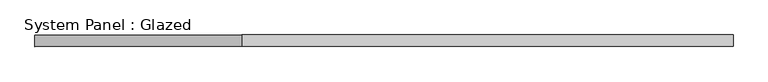
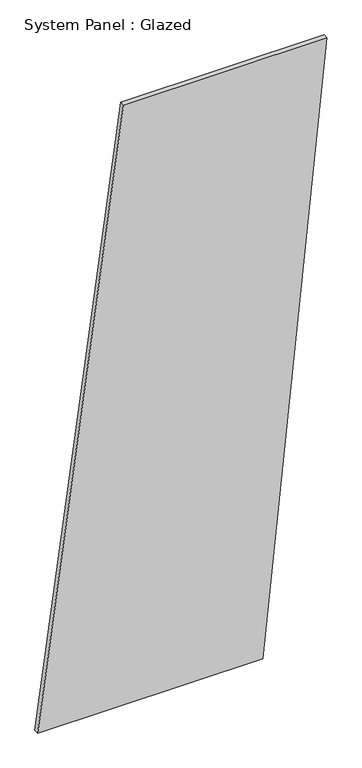
"""IFC4 building model written with IfcOpenShell, lengths in millimetres: plate geometry, System Panel : Glazed."""

from ifc_helpers import new_model, si_unit, frame, origin, place, context, project, spatial, polyline, outline, extrude, source, transform, mapped, element, save


def system_panel_glazed_af5f5fa5(model_context):
    return source(origin(), model_context, "Body", "SweptSolid", [
        extrude(outline(polyline([(0.0, -761.0926536), (0.0, 423.1505167), (3336.1930123, 761.0926536), (3336.1930123, -310.5031377), (0.0, -761.0926536)])), frame((0.0, -49.5, 0.0), z_axis=(0.0, 1.0, 0.0), x_axis=(0.0, 0.0, 1.0)), (0.0, 0.0, 1.0), 25.0),
    ])


if __name__ == "__main__":
    model = new_model("IFC4")
    model_context = context("Model", 3, world=origin())
    ifc_project = project(units=[si_unit("LENGTHUNIT", "METRE", prefix="MILLI")], contexts=[model_context])
    site = spatial("IfcSite", under=ifc_project)
    building = spatial("IfcBuilding", under=site)
    placement = place(None, origin())
    system_panel_glazed_shape = system_panel_glazed_af5f5fa5(model_context)
    element("IfcPlate", 1, ObjectType="System Panel : Glazed", at=placement, inside=building, context=model_context, shape_type="MappedRepresentation", body=[
        mapped(system_panel_glazed_shape, transform((0.0, 0.0, 0.0), x_axis=(1.0, 0.0, 0.0), y_axis=(0.0, 1.0, 0.0), z_axis=(0.0, 0.0, 1.0))),
    ])
    save(model, "model.ifc")
